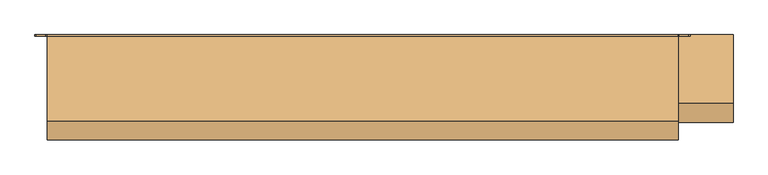
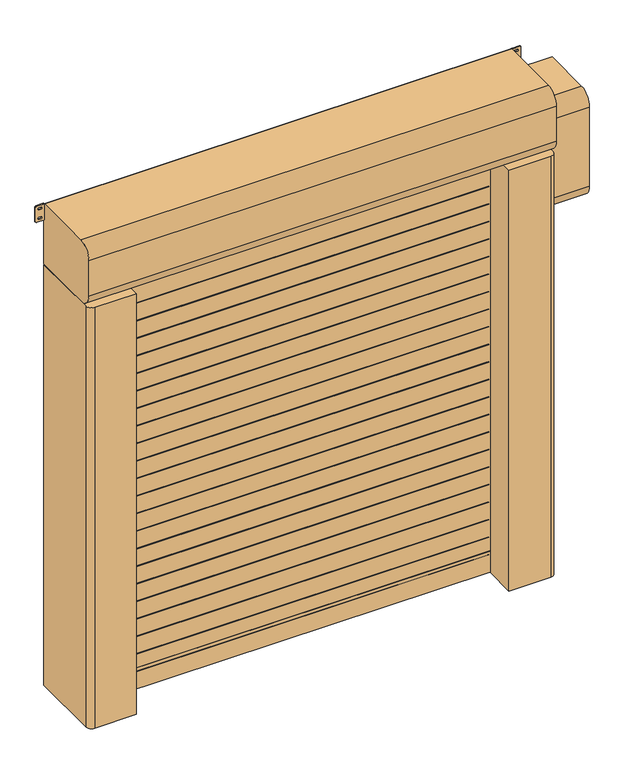
"""IFC4 building model written with IfcOpenShell, lengths in millimetres: door geometry."""

from ifc_helpers import new_model, si_unit, point, frame, frame_2d, origin, origin_with_axes, place, context, project, spatial, polyline, circle_curve, trimmed, segment, composite_curve, outline, extrude, source, transform, mapped, element, save


def door_c5269588(model_context):
    return source(origin(), model_context, "Body", "SweptSolid", [
        extrude(outline(polyline([(-1000.0, -241.5), (-1000.0, -219.5), (1000.0, -219.5), (1000.0, -241.5), (-1000.0, -241.5)])), frame((0.0, 0.0, 2599.0), z_axis=(0.0, 0.0, 1.0), x_axis=(1.0, 0.0, 0.0)), (0.0, 0.0, 1.0), 2.0),
        extrude(outline(polyline([(-1000.0, -241.5), (-1000.0, -219.5), (1000.0, -219.5), (1000.0, -241.5), (-1000.0, -241.5)])), frame((0.0, 0.0, 2499.0), z_axis=(0.0, 0.0, 1.0), x_axis=(1.0, 0.0, 0.0)), (0.0, 0.0, 1.0), 2.0),
        extrude(outline(polyline([(-1000.0, -241.5), (-1000.0, -219.5), (1000.0, -219.5), (1000.0, -241.5), (-1000.0, -241.5)])), frame((0.0, 0.0, 2399.0), z_axis=(0.0, 0.0, 1.0), x_axis=(1.0, 0.0, 0.0)), (0.0, 0.0, 1.0), 2.0),
        extrude(outline(polyline([(-1000.0, -241.5), (-1000.0, -219.5), (1000.0, -219.5), (1000.0, -241.5), (-1000.0, -241.5)])), frame((0.0, 0.0, 2299.0), z_axis=(0.0, 0.0, 1.0), x_axis=(1.0, 0.0, 0.0)), (0.0, 0.0, 1.0), 2.0),
        extrude(outline(polyline([(-1000.0, -241.5), (-1000.0, -219.5), (1000.0, -219.5), (1000.0, -241.5), (-1000.0, -241.5)])), frame((0.0, 0.0, 2199.0), z_axis=(0.0, 0.0, 1.0), x_axis=(1.0, 0.0, 0.0)), (0.0, 0.0, 1.0), 2.0),
        extrude(outline(polyline([(-1000.0, -241.5), (-1000.0, -219.5), (1000.0, -219.5), (1000.0, -241.5), (-1000.0, -241.5)])), frame((0.0, 0.0, 2099.0), z_axis=(0.0, 0.0, 1.0), x_axis=(1.0, 0.0, 0.0)), (0.0, 0.0, 1.0), 2.0),
        extrude(outline(polyline([(-1000.0, -241.5), (-1000.0, -219.5), (1000.0, -219.5), (1000.0, -241.5), (-1000.0, -241.5)])), frame((0.0, 0.0, 1999.0), z_axis=(0.0, 0.0, 1.0), x_axis=(1.0, 0.0, 0.0)), (0.0, 0.0, 1.0), 2.0),
        extrude(outline(polyline([(-1000.0, -241.5), (-1000.0, -219.5), (1000.0, -219.5), (1000.0, -241.5), (-1000.0, -241.5)])), frame((0.0, 0.0, 1899.0), z_axis=(0.0, 0.0, 1.0), x_axis=(1.0, 0.0, 0.0)), (0.0, 0.0, 1.0), 2.0),
        extrude(outline(polyline([(-1000.0, -241.5), (-1000.0, -219.5), (1000.0, -219.5), (1000.0, -241.5), (-1000.0, -241.5)])), frame((0.0, 0.0, 1799.0), z_axis=(0.0, 0.0, 1.0), x_axis=(1.0, 0.0, 0.0)), (0.0, 0.0, 1.0), 2.0),
        extrude(outline(polyline([(-1000.0, -241.5), (-1000.0, -219.5), (1000.0, -219.5), (1000.0, -241.5), (-1000.0, -241.5)])), frame((0.0, 0.0, 1699.0), z_axis=(0.0, 0.0, 1.0), x_axis=(1.0, 0.0, 0.0)), (0.0, 0.0, 1.0), 2.0),
        extrude(outline(polyline([(-1000.0, -241.5), (-1000.0, -219.5), (1000.0, -219.5), (1000.0, -241.5), (-1000.0, -241.5)])), frame((0.0, 0.0, 1599.0), z_axis=(0.0, 0.0, 1.0), x_axis=(1.0, 0.0, 0.0)), (0.0, 0.0, 1.0), 2.0),
        extrude(outline(polyline([(-1000.0, -241.5), (-1000.0, -219.5), (1000.0, -219.5), (1000.0, -241.5), (-1000.0, -241.5)])), frame((0.0, 0.0, 1499.0), z_axis=(0.0, 0.0, 1.0), x_axis=(1.0, 0.0, 0.0)), (0.0, 0.0, 1.0), 2.0),
        extrude(outline(polyline([(-1000.0, -241.5), (-1000.0, -219.5), (1000.0, -219.5), (1000.0, -241.5), (-1000.0, -241.5)])), frame((0.0, 0.0, 1399.0), z_axis=(0.0, 0.0, 1.0), x_axis=(1.0, 0.0, 0.0)), (0.0, 0.0, 1.0), 2.0),
        extrude(outline(polyline([(-1000.0, -241.5), (-1000.0, -219.5), (1000.0, -219.5), (1000.0, -241.5), (-1000.0, -241.5)])), frame((0.0, 0.0, 1299.0), z_axis=(0.0, 0.0, 1.0), x_axis=(1.0, 0.0, 0.0)), (0.0, 0.0, 1.0), 2.0),
        extrude(outline(polyline([(-1000.0, -241.5), (-1000.0, -219.5), (1000.0, -219.5), (1000.0, -241.5), (-1000.0, -241.5)])), frame((0.0, 0.0, 1199.0), z_axis=(0.0, 0.0, 1.0), x_axis=(1.0, 0.0, 0.0)), (0.0, 0.0, 1.0), 2.0),
        extrude(outline(polyline([(-1000.0, -241.5), (-1000.0, -219.5), (1000.0, -219.5), (1000.0, -241.5), (-1000.0, -241.5)])), frame((0.0, 0.0, 1099.0), z_axis=(0.0, 0.0, 1.0), x_axis=(1.0, 0.0, 0.0)), (0.0, 0.0, 1.0), 2.0),
        extrude(outline(polyline([(-1000.0, -241.5), (-1000.0, -219.5), (1000.0, -219.5), (1000.0, -241.5), (-1000.0, -241.5)])), frame((0.0, 0.0, 999.0), z_axis=(0.0, 0.0, 1.0), x_axis=(1.0, 0.0, 0.0)), (0.0, 0.0, 1.0), 2.0),
        extrude(outline(polyline([(-1000.0, -241.5), (-1000.0, -219.5), (1000.0, -219.5), (1000.0, -241.5), (-1000.0, -241.5)])), frame((0.0, 0.0, 899.0), z_axis=(0.0, 0.0, 1.0), x_axis=(1.0, 0.0, 0.0)), (0.0, 0.0, 1.0), 2.0),
        extrude(outline(polyline([(-1000.0, -241.5), (-1000.0, -219.5), (1000.0, -219.5), (1000.0, -241.5), (-1000.0, -241.5)])), frame((0.0, 0.0, 799.0), z_axis=(0.0, 0.0, 1.0), x_axis=(1.0, 0.0, 0.0)), (0.0, 0.0, 1.0), 2.0),
        extrude(outline(polyline([(-1000.0, -241.5), (-1000.0, -219.5), (1000.0, -219.5), (1000.0, -241.5), (-1000.0, -241.5)])), frame((0.0, 0.0, 699.0), z_axis=(0.0, 0.0, 1.0), x_axis=(1.0, 0.0, 0.0)), (0.0, 0.0, 1.0), 2.0),
        extrude(outline(polyline([(-1000.0, -241.5), (-1000.0, -219.5), (1000.0, -219.5), (1000.0, -241.5), (-1000.0, -241.5)])), frame((0.0, 0.0, 599.0), z_axis=(0.0, 0.0, 1.0), x_axis=(1.0, 0.0, 0.0)), (0.0, 0.0, 1.0), 2.0),
        extrude(outline(polyline([(-1000.0, -241.5), (-1000.0, -219.5), (1000.0, -219.5), (1000.0, -241.5), (-1000.0, -241.5)])), frame((0.0, 0.0, 499.0), z_axis=(0.0, 0.0, 1.0), x_axis=(1.0, 0.0, 0.0)), (0.0, 0.0, 1.0), 2.0),
        extrude(outline(polyline([(-1000.0, -241.5), (-1000.0, -219.5), (1000.0, -219.5), (1000.0, -241.5), (-1000.0, -241.5)])), frame((0.0, 0.0, 399.0), z_axis=(0.0, 0.0, 1.0), x_axis=(1.0, 0.0, 0.0)), (0.0, 0.0, 1.0), 2.0),
        extrude(outline(polyline([(-1000.0, -241.5), (-1000.0, -219.5), (1000.0, -219.5), (1000.0, -241.5), (-1000.0, -241.5)])), frame((0.0, 0.0, 299.0), z_axis=(0.0, 0.0, 1.0), x_axis=(1.0, 0.0, 0.0)), (0.0, 0.0, 1.0), 2.0),
        extrude(outline(polyline([(-1000.0, -241.5), (-1000.0, -219.5), (1000.0, -219.5), (1000.0, -241.5), (-1000.0, -241.5)])), frame((0.0, 0.0, 199.0), z_axis=(0.0, 0.0, 1.0), x_axis=(1.0, 0.0, 0.0)), (0.0, 0.0, 1.0), 2.0),
        extrude(outline(polyline([(-1000.0, -241.5), (-1000.0, -219.5), (1000.0, -219.5), (1000.0, -241.5), (-1000.0, -241.5)])), frame((0.0, 0.0, 99.0), z_axis=(0.0, 0.0, 1.0), x_axis=(1.0, 0.0, 0.0)), (0.0, 0.0, 1.0), 2.0),
        extrude(outline(composite_curve([segment(trimmed(circle_curve(frame_2d((1550.0, 1171.0)), 6.0), [point((1556.0, 1171.0))], [point((1544.0, 1171.0))], False, "CARTESIAN"), True, "CONTINUOUS"), segment(polyline([(1544.0, 1171.0), (1544.0, 1189.0)]), True, "CONTINUOUS"), segment(trimmed(circle_curve(frame_2d((1550.0, 1189.0)), 6.0), [point((1544.0, 1189.0))], [point((1556.0, 1189.0))], False, "CARTESIAN"), True, "CONTINUOUS"), segment(polyline([(1556.0, 1189.0), (1556.0, 1171.0)]), True, "CONTINUOUS")], self_intersect=False)), frame((0.0, -20.0, 0.0), z_axis=(0.0, 1.0, 0.0), x_axis=(0.0, 0.0, 1.0)), (0.0, 0.0, 1.0), 20.0),
        extrude(outline(composite_curve([segment(trimmed(circle_curve(frame_2d((850.0, 1171.0)), 6.0), [point((856.0, 1171.0))], [point((844.0, 1171.0))], False, "CARTESIAN"), True, "CONTINUOUS"), segment(polyline([(844.0, 1171.0), (844.0, 1189.0)]), True, "CONTINUOUS"), segment(trimmed(circle_curve(frame_2d((850.0, 1189.0)), 6.0), [point((844.0, 1189.0))], [point((856.0, 1189.0))], False, "CARTESIAN"), True, "CONTINUOUS"), segment(polyline([(856.0, 1189.0), (856.0, 1171.0)]), True, "CONTINUOUS")], self_intersect=False)), frame((0.0, -20.0, 0.0), z_axis=(0.0, 1.0, 0.0), x_axis=(0.0, 0.0, 1.0)), (0.0, 0.0, 1.0), 20.0),
        extrude(outline(composite_curve([segment(trimmed(circle_curve(frame_2d((2250.0, 1171.0)), 6.0), [point((2256.0, 1171.0))], [point((2244.0, 1171.0))], False, "CARTESIAN"), True, "CONTINUOUS"), segment(polyline([(2244.0, 1171.0), (2244.0, 1189.0)]), True, "CONTINUOUS"), segment(trimmed(circle_curve(frame_2d((2250.0, 1189.0)), 6.0), [point((2244.0, 1189.0))], [point((2256.0, 1189.0))], False, "CARTESIAN"), True, "CONTINUOUS"), segment(polyline([(2256.0, 1189.0), (2256.0, 1171.0)]), True, "CONTINUOUS")], self_intersect=False)), frame((0.0, -20.0, 0.0), z_axis=(0.0, 1.0, 0.0), x_axis=(0.0, 0.0, 1.0)), (0.0, 0.0, 1.0), 20.0),
        extrude(outline(composite_curve([segment(trimmed(circle_curve(frame_2d((150.0, 1171.0)), 6.0), [point((156.0, 1171.0))], [point((144.0, 1171.0))], False, "CARTESIAN"), True, "CONTINUOUS"), segment(polyline([(144.0, 1171.0), (144.0, 1189.0)]), True, "CONTINUOUS"), segment(trimmed(circle_curve(frame_2d((150.0, 1189.0)), 6.0), [point((144.0, 1189.0))], [point((156.0, 1189.0))], False, "CARTESIAN"), True, "CONTINUOUS"), segment(polyline([(156.0, 1189.0), (156.0, 1171.0)]), True, "CONTINUOUS")], self_intersect=False)), frame((0.0, -20.0, 0.0), z_axis=(0.0, 1.0, 0.0), x_axis=(0.0, 0.0, 1.0)), (0.0, 0.0, 1.0), 20.0),
        extrude(outline(composite_curve([segment(polyline([(1556.0, -1171.0), (1556.0, -1189.0)]), True, "CONTINUOUS"), segment(trimmed(circle_curve(frame_2d((1550.0, -1189.0)), 6.0), [point((1556.0, -1189.0))], [point((1544.0, -1189.0))], False, "CARTESIAN"), True, "CONTINUOUS"), segment(polyline([(1544.0, -1189.0), (1544.0, -1171.0)]), True, "CONTINUOUS"), segment(trimmed(circle_curve(frame_2d((1550.0, -1171.0)), 6.0), [point((1544.0, -1171.0))], [point((1556.0, -1171.0))], False, "CARTESIAN"), True, "CONTINUOUS")], self_intersect=False)), frame((0.0, -20.0, 0.0), z_axis=(0.0, 1.0, 0.0), x_axis=(0.0, 0.0, 1.0)), (0.0, 0.0, 1.0), 20.0),
        extrude(outline(composite_curve([segment(polyline([(856.0, -1171.0), (856.0, -1189.0)]), True, "CONTINUOUS"), segment(trimmed(circle_curve(frame_2d((850.0, -1189.0)), 6.0), [point((856.0, -1189.0))], [point((844.0, -1189.0))], False, "CARTESIAN"), True, "CONTINUOUS"), segment(polyline([(844.0, -1189.0), (844.0, -1171.0)]), True, "CONTINUOUS"), segment(trimmed(circle_curve(frame_2d((850.0, -1171.0)), 6.0), [point((844.0, -1171.0))], [point((856.0, -1171.0))], False, "CARTESIAN"), True, "CONTINUOUS")], self_intersect=False)), frame((0.0, -20.0, 0.0), z_axis=(0.0, 1.0, 0.0), x_axis=(0.0, 0.0, 1.0)), (0.0, 0.0, 1.0), 20.0),
        extrude(outline(composite_curve([segment(polyline([(2256.0, -1171.0), (2256.0, -1189.0)]), True, "CONTINUOUS"), segment(trimmed(circle_curve(frame_2d((2250.0, -1189.0)), 6.0), [point((2256.0, -1189.0))], [point((2244.0, -1189.0))], False, "CARTESIAN"), True, "CONTINUOUS"), segment(polyline([(2244.0, -1189.0), (2244.0, -1171.0)]), True, "CONTINUOUS"), segment(trimmed(circle_curve(frame_2d((2250.0, -1171.0)), 6.0), [point((2244.0, -1171.0))], [point((2256.0, -1171.0))], False, "CARTESIAN"), True, "CONTINUOUS")], self_intersect=False)), frame((0.0, -20.0, 0.0), z_axis=(0.0, 1.0, 0.0), x_axis=(0.0, 0.0, 1.0)), (0.0, 0.0, 1.0), 20.0),
        extrude(outline(composite_curve([segment(polyline([(156.0, -1171.0), (156.0, -1189.0)]), True, "CONTINUOUS"), segment(trimmed(circle_curve(frame_2d((150.0, -1189.0)), 6.0), [point((156.0, -1189.0))], [point((144.0, -1189.0))], False, "CARTESIAN"), True, "CONTINUOUS"), segment(polyline([(144.0, -1189.0), (144.0, -1171.0)]), True, "CONTINUOUS"), segment(trimmed(circle_curve(frame_2d((150.0, -1171.0)), 6.0), [point((144.0, -1171.0))], [point((156.0, -1171.0))], False, "CARTESIAN"), True, "CONTINUOUS")], self_intersect=False)), frame((0.0, -20.0, 0.0), z_axis=(0.0, 1.0, 0.0), x_axis=(0.0, 0.0, 1.0)), (0.0, 0.0, 1.0), 20.0),
        extrude(outline(polyline([(-1012.0, -221.5), (1012.0, -221.5), (1012.0, -239.5), (-1012.0, -239.5), (-1012.0, -221.5)])), frame((0.0, 0.0, 120.0), z_axis=(0.0, 0.0, 1.0), x_axis=(1.0, 0.0, 0.0)), (0.0, 0.0, 1.0), 2455.0),
        extrude(outline(polyline([(-1012.0, -219.5), (1012.0, -219.5), (1012.0, -241.5), (-1012.0, -241.5), (-1012.0, -219.5)])), origin_with_axes(), (0.0, 0.0, 1.0), 120.0),
        extrude(outline(composite_curve([segment(polyline([(-1260.0, 0.0), (-1015.0, 0.0), (-1015.0, -209.2857143), (-1035.0, -215.0), (-1000.0, -215.0), (-1000.0, -221.5), (-1020.0, -221.5), (-1020.0, -228.5), (-1000.0, -228.5), (-1000.0, -235.0), (-1035.0, -235.0), (-1035.0, -250.0), (-1005.0, -250.0), (-1005.0, -420.0), (-1230.0, -420.0)]), True, "CONTINUOUS"), segment(trimmed(circle_curve(frame_2d((-1230.0, -390.0)), 30.0), [point((-1230.0, -420.0))], [point((-1260.0, -390.0))], False, "CARTESIAN"), True, "CONTINUOUS"), segment(polyline([(-1260.0, -390.0), (-1260.0, 0.0)]), True, "CONTINUOUS")], self_intersect=False)), origin_with_axes(), (0.0, 0.0, 1.0), 2400.0),
        extrude(outline(composite_curve([segment(polyline([(1260.0, 0.0), (1260.0, -390.0)]), True, "CONTINUOUS"), segment(trimmed(circle_curve(frame_2d((1230.0, -390.0)), 30.0), [point((1260.0, -390.0))], [point((1230.0, -420.0))], False, "CARTESIAN"), True, "CONTINUOUS"), segment(polyline([(1230.0, -420.0), (1005.0, -420.0), (1005.0, -250.0), (1035.0, -250.0), (1035.0, -235.0), (1000.0, -235.0), (1000.0, -228.5), (1020.0, -228.5), (1020.0, -221.5), (1000.0, -221.5), (1000.0, -215.0), (1035.0, -215.0), (1015.0, -209.2857143), (1015.0, 0.0), (1260.0, 0.0)]), True, "CONTINUOUS")], self_intersect=False)), origin_with_axes(), (0.0, 0.0, 1.0), 2400.0),
        extrude(outline(composite_curve([segment(trimmed(circle_curve(frame_2d((-5.0, 2405.0)), 5.0), [point((0.0, 2405.0))], [point((-5.0, 2400.0))], False, "CARTESIAN"), True, "CONTINUOUS"), segment(polyline([(-5.0, 2400.0), (-345.0, 2400.0)]), True, "CONTINUOUS"), segment(trimmed(circle_curve(frame_2d((-345.0, 2475.0)), 75.0), [point((-345.0, 2400.0))], [point((-420.0, 2475.0))], False, "CARTESIAN"), True, "CONTINUOUS"), segment(polyline([(-420.0, 2475.0), (-420.0, 2675.0)]), True, "CONTINUOUS"), segment(trimmed(circle_curve(frame_2d((-345.0, 2675.0)), 75.0), [point((-420.0, 2675.0))], [point((-345.0, 2750.0))], False, "CARTESIAN"), True, "CONTINUOUS"), segment(polyline([(-345.0, 2750.0), (-5.0, 2750.0)]), True, "CONTINUOUS"), segment(trimmed(circle_curve(frame_2d((-5.0, 2745.0)), 5.0), [point((-5.0, 2750.0))], [point((0.0, 2745.0))], False, "CARTESIAN"), True, "CONTINUOUS"), segment(polyline([(0.0, 2745.0), (0.0, 2405.0)]), True, "CONTINUOUS")], self_intersect=False)), frame((-1260.0, 0.0, 0.0), z_axis=(1.0, 0.0, 0.0), x_axis=(0.0, 1.0, 0.0)), (0.0, 0.0, 1.0), 2520.0),
        extrude(outline(composite_curve([segment(trimmed(circle_curve(frame_2d((2663.75, 1265.75)), 5.75), [point((2663.75, 1260.0))], [point((2658.0, 1265.75))], False, "CARTESIAN"), True, "CONTINUOUS"), segment(polyline([(2658.0, 1265.75), (2658.0, 1303.25)]), True, "CONTINUOUS"), segment(trimmed(circle_curve(frame_2d((2663.75, 1303.25)), 5.75), [point((2658.0, 1303.25))], [point((2663.75, 1309.0))], False, "CARTESIAN"), True, "CONTINUOUS"), segment(polyline([(2663.75, 1309.0), (2744.25, 1309.0)]), True, "CONTINUOUS"), segment(trimmed(circle_curve(frame_2d((2744.25, 1303.25)), 5.75), [point((2744.25, 1309.0))], [point((2750.0, 1303.25))], False, "CARTESIAN"), True, "CONTINUOUS"), segment(polyline([(2750.0, 1303.25), (2750.0, 1265.75)]), True, "CONTINUOUS"), segment(trimmed(circle_curve(frame_2d((2744.25, 1265.75)), 5.75), [point((2750.0, 1265.75))], [point((2744.25, 1260.0))], False, "CARTESIAN"), True, "CONTINUOUS"), segment(polyline([(2744.25, 1260.0), (2663.75, 1260.0)]), True, "CONTINUOUS")], self_intersect=False), holes=[composite_curve([segment(trimmed(circle_curve(frame_2d((2731.5, 1288.75)), 5.75), [point((2737.25, 1288.75))], [point((2725.75, 1288.75))], True, "CARTESIAN"), True, "CONTINUOUS"), segment(polyline([(2725.75, 1288.75), (2725.75, 1280.25)]), True, "CONTINUOUS"), segment(trimmed(circle_curve(frame_2d((2731.5, 1280.25)), 5.75), [point((2725.75, 1280.25))], [point((2737.25, 1280.25))], True, "CARTESIAN"), True, "CONTINUOUS"), segment(polyline([(2737.25, 1280.25), (2737.25, 1288.75)]), True, "CONTINUOUS")], self_intersect=False), composite_curve([segment(trimmed(circle_curve(frame_2d((2676.5, 1288.75)), 5.75), [point((2682.25, 1288.75))], [point((2670.75, 1288.75))], True, "CARTESIAN"), True, "CONTINUOUS"), segment(polyline([(2670.75, 1288.75), (2670.75, 1280.25)]), True, "CONTINUOUS"), segment(trimmed(circle_curve(frame_2d((2676.5, 1280.25)), 5.75), [point((2670.75, 1280.25))], [point((2682.25, 1280.25))], True, "CARTESIAN"), True, "CONTINUOUS"), segment(polyline([(2682.25, 1280.25), (2682.25, 1288.75)]), True, "CONTINUOUS")], self_intersect=False)]), frame((0.0, -5.0, 0.0), z_axis=(0.0, 1.0, 0.0), x_axis=(0.0, 0.0, 1.0)), (0.0, 0.0, 1.0), 5.0),
        extrude(outline(composite_curve([segment(trimmed(circle_curve(frame_2d((2663.75, -1303.25)), 5.75), [point((2663.75, -1309.0))], [point((2658.0, -1303.25))], False, "CARTESIAN"), True, "CONTINUOUS"), segment(polyline([(2658.0, -1303.25), (2658.0, -1265.75)]), True, "CONTINUOUS"), segment(trimmed(circle_curve(frame_2d((2663.75, -1265.75)), 5.75), [point((2658.0, -1265.75))], [point((2663.75, -1260.0))], False, "CARTESIAN"), True, "CONTINUOUS"), segment(polyline([(2663.75, -1260.0), (2744.25, -1260.0)]), True, "CONTINUOUS"), segment(trimmed(circle_curve(frame_2d((2744.25, -1265.75)), 5.75), [point((2744.25, -1260.0))], [point((2750.0, -1265.75))], False, "CARTESIAN"), True, "CONTINUOUS"), segment(polyline([(2750.0, -1265.75), (2750.0, -1303.25)]), True, "CONTINUOUS"), segment(trimmed(circle_curve(frame_2d((2744.25, -1303.25)), 5.75), [point((2750.0, -1303.25))], [point((2744.25, -1309.0))], False, "CARTESIAN"), True, "CONTINUOUS"), segment(polyline([(2744.25, -1309.0), (2663.75, -1309.0)]), True, "CONTINUOUS")], self_intersect=False), holes=[composite_curve([segment(trimmed(circle_curve(frame_2d((2731.5, -1280.25)), 5.75), [point((2737.25, -1280.25))], [point((2725.75, -1280.25))], True, "CARTESIAN"), True, "CONTINUOUS"), segment(polyline([(2725.75, -1280.25), (2725.75, -1288.75)]), True, "CONTINUOUS"), segment(trimmed(circle_curve(frame_2d((2731.5, -1288.75)), 5.75), [point((2725.75, -1288.75))], [point((2737.25, -1288.75))], True, "CARTESIAN"), True, "CONTINUOUS"), segment(polyline([(2737.25, -1288.75), (2737.25, -1280.25)]), True, "CONTINUOUS")], self_intersect=False), composite_curve([segment(trimmed(circle_curve(frame_2d((2676.5, -1280.25)), 5.75), [point((2682.25, -1280.25))], [point((2670.75, -1280.25))], True, "CARTESIAN"), True, "CONTINUOUS"), segment(polyline([(2670.75, -1280.25), (2670.75, -1288.75)]), True, "CONTINUOUS"), segment(trimmed(circle_curve(frame_2d((2676.5, -1288.75)), 5.75), [point((2670.75, -1288.75))], [point((2682.25, -1288.75))], True, "CARTESIAN"), True, "CONTINUOUS"), segment(polyline([(2682.25, -1288.75), (2682.25, -1280.25)]), True, "CONTINUOUS")], self_intersect=False)]), frame((0.0, -5.0, 0.0), z_axis=(0.0, 1.0, 0.0), x_axis=(0.0, 0.0, 1.0)), (0.0, 0.0, 1.0), 5.0),
        extrude(outline(composite_curve([segment(polyline([(0.0, 2625.0), (0.0, 2025.0), (-275.0, 2025.0)]), True, "CONTINUOUS"), segment(trimmed(circle_curve(frame_2d((-275.0, 2100.0)), 75.0), [point((-275.0, 2025.0))], [point((-350.0, 2100.0))], False, "CARTESIAN"), True, "CONTINUOUS"), segment(polyline([(-350.0, 2100.0), (-350.0, 2550.0)]), True, "CONTINUOUS"), segment(trimmed(circle_curve(frame_2d((-275.0, 2550.0)), 75.0), [point((-350.0, 2550.0))], [point((-275.0, 2625.0))], False, "CARTESIAN"), True, "CONTINUOUS"), segment(polyline([(-275.0, 2625.0), (0.0, 2625.0)]), True, "CONTINUOUS")], self_intersect=False)), frame((1260.0, 0.0, 0.0), z_axis=(1.0, 0.0, 0.0), x_axis=(0.0, 1.0, 0.0)), (0.0, 0.0, 1.0), 220.0),
    ])


if __name__ == "__main__":
    model = new_model("IFC4")
    model_context = context("Model", 3, world=origin())
    ifc_project = project(units=[si_unit("LENGTHUNIT", "METRE", prefix="MILLI")], contexts=[model_context])
    site = spatial("IfcSite", under=ifc_project)
    building = spatial("IfcBuilding", under=site)
    placement = place(None, origin())
    door_shape = door_c5269588(model_context)
    element("IfcDoor", 1, at=placement, inside=building, context=model_context, shape_type="MappedRepresentation", body=[
        mapped(door_shape, transform((0.0, 0.0, 0.0), x_axis=(1.0, 0.0, 0.0), y_axis=(0.0, 1.0, 0.0), z_axis=(0.0, 0.0, 1.0))),
    ])
    save(model, "model.ifc")
